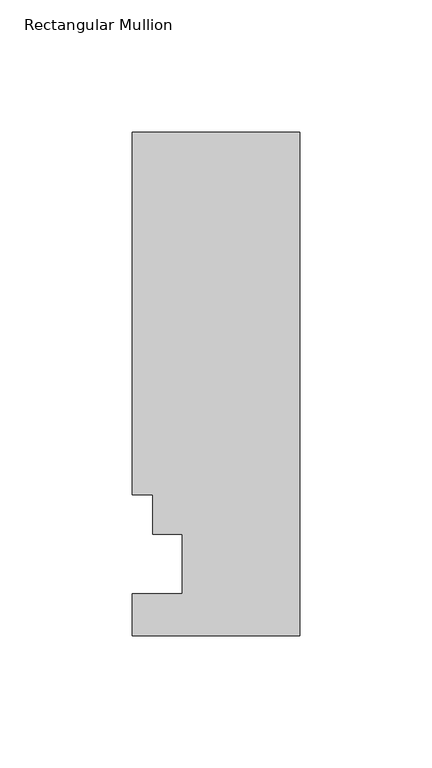
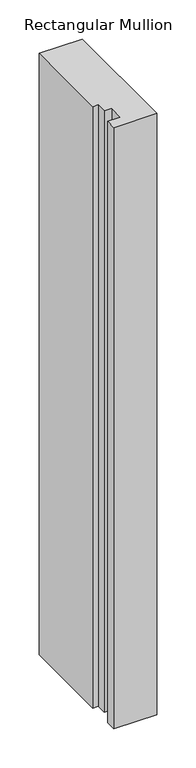
"""IFC4 building model written with IfcOpenShell, lengths in millimetres: member geometry, Rectangular Mullion."""

from ifc_helpers import new_model, si_unit, frame, origin, place, context, project, spatial, polyline, outline, extrude, source, transform, mapped, element, save


def rectangular_mullion_24e55512(model_context):
    return source(origin(), model_context, "Body", "SweptSolid", [
        extrude(outline(polyline([(0.0, 152.4992187), (0.0, -38.2293813), (-63.5, -38.2293813), (-63.5, -22.3797813), (-44.45, -22.3797813), (-44.45, 0.0992188), (-55.5752, 0.0992188), (-55.5752, 15.1614187), (-63.5, 15.1614187), (-63.5, 152.4992188), (0.0, 152.4992187)])), frame((0.0, 0.0, -937.976362), z_axis=(0.0, 0.0, 1.0), x_axis=(1.0, 0.0, 0.0)), (0.0, 0.0, 1.0), 937.976362),
    ])


if __name__ == "__main__":
    model = new_model("IFC4")
    model_context = context("Model", 3, world=origin())
    ifc_project = project(units=[si_unit("LENGTHUNIT", "METRE", prefix="MILLI")], contexts=[model_context])
    site = spatial("IfcSite", under=ifc_project)
    building = spatial("IfcBuilding", under=site)
    placement = place(None, origin())
    rectangular_mullion_shape = rectangular_mullion_24e55512(model_context)
    element("IfcMember", 1, ObjectType="Rectangular Mullion", at=placement, inside=building, context=model_context, shape_type="MappedRepresentation", body=[
        mapped(rectangular_mullion_shape, transform((0.0, 0.0, 0.0), x_axis=(1.0, 0.0, 0.0), y_axis=(0.0, 1.0, 0.0), z_axis=(0.0, 0.0, 1.0))),
    ])
    save(model, "model.ifc")
